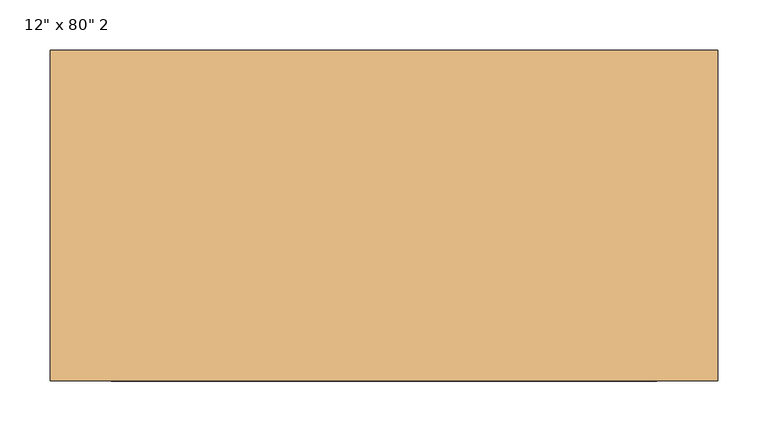
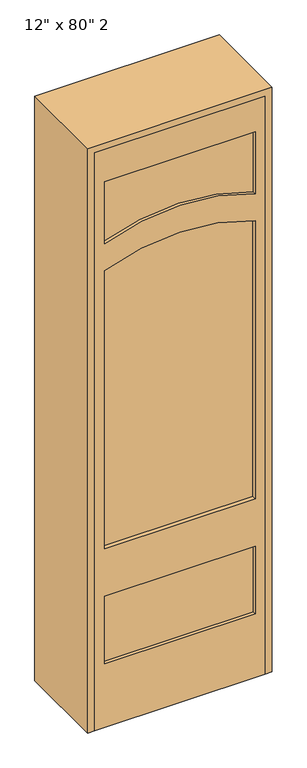
"""IFC4 building model written with IfcOpenShell, lengths in millimetres: door geometry."""

import ifcopenshell
import ifcopenshell.guid

model = None  # the IFC model being written
_history = None  # IfcOwnerHistory: only IFC2X3 demands one
_inside = {}  # id of a spatial element -> (the spatial element, [elements in it])
_under = {}  # id of a project, library or spatial element -> (it, [spatial elements below it])
_declared = {}  # id of a project -> (the project, [libraries it declares])
_typed = {}  # id of a type object -> (the type object, [elements of that type])
_made_of = {}  # id of a material, layer set ... -> (it, [elements and type objects made of it])


def new_model(schema):
    """Start an empty IFC model of exactly this schema.

    Asked for "IFC4X3", IfcOpenShell would pick the latest addendum, in which some entities
    have other attributes; the version numbers below select the first issue.
    IFC2X3 requires an IfcOwnerHistory on every rooted entity: one is made here for all.
    """
    global model, _history
    if schema == "IFC4X3":
        model = ifcopenshell.file(schema_version=(4, 3, 0, 0))
    else:
        model = ifcopenshell.file(schema=schema)
    _inside.clear()
    _under.clear()
    _declared.clear()
    _typed.clear()
    _made_of.clear()
    _history = None
    if model.schema == "IFC2X3":
        org = make("IfcOrganization", Name="unknown")
        user = make(
            "IfcPersonAndOrganization",
            ThePerson=make("IfcPerson", FamilyName="unknown"),
            TheOrganization=org,
        )
        app = make(
            "IfcApplication",
            ApplicationDeveloper=org,
            Version="unknown",
            ApplicationFullName="unknown",
            ApplicationIdentifier="unknown",
        )
        _history = make(
            "IfcOwnerHistory",
            OwningUser=user,
            OwningApplication=app,
            ChangeAction="ADDED",
            CreationDate=0,
        )
    return model


def make(cls, **values):
    """One entity of the class cls with the attributes given. An attribute that is None is left unset."""
    return model.create_entity(
        cls, **{name: value for name, value in values.items() if value is not None}
    )


def rooted(cls, **values):
    """An entity with a GlobalId (a new one), such as an element, a storey or a relation."""
    return make(cls, GlobalId=ifcopenshell.guid.new(), OwnerHistory=_history, **values)


def si_unit(unit_type, name, prefix=None):
    """IfcSIUnit, for example si_unit("LENGTHUNIT", "METRE", prefix="MILLI")."""
    return make("IfcSIUnit", UnitType=unit_type, Prefix=prefix, Name=name)


def assignment(units):
    """IfcUnitAssignment: the units of a project."""
    return None if units is None else make("IfcUnitAssignment", Units=units)


def point(xyz):
    """IfcCartesianPoint."""
    return None if xyz is None else make("IfcCartesianPoint", Coordinates=xyz)


def direction(xyz):
    """IfcDirection."""
    return None if xyz is None else make("IfcDirection", DirectionRatios=xyz)


def frame(location, z_axis=None, x_axis=None):
    """IfcAxis2Placement3D, a coordinate frame: its origin and axes. An axis left out is left unset."""
    return make(
        "IfcAxis2Placement3D",
        Location=point(location),
        Axis=direction(z_axis),
        RefDirection=direction(x_axis),
    )


def frame_2d(location, x_axis=None):
    """IfcAxis2Placement2D, a coordinate frame in the plane: its origin and x axis."""
    return make(
        "IfcAxis2Placement2D", Location=point(location), RefDirection=direction(x_axis)
    )


def origin():
    """The frame at (0, 0, 0) with its axes left unset."""
    return frame((0.0, 0.0, 0.0))


def place(relative_to, where):
    """IfcLocalPlacement: puts the frame where relative to a parent placement (None: the world)."""
    return make(
        "IfcLocalPlacement", PlacementRelTo=relative_to, RelativePlacement=where
    )


def context(
    kind, dimensions, precision=None, world=None, true_north=None, identifier=None
):
    """IfcGeometricRepresentationContext, for example the 3D "Model" context."""
    return make(
        "IfcGeometricRepresentationContext",
        ContextIdentifier=identifier,
        ContextType=kind,
        CoordinateSpaceDimension=dimensions,
        Precision=precision,
        WorldCoordinateSystem=world,
        TrueNorth=true_north,
    )


def project(units=None, contexts=None):
    """IfcProject with its units and contexts."""
    return rooted(
        "IfcProject",
        Name="project",
        RepresentationContexts=contexts,
        UnitsInContext=assignment(units),
    )


def spatial(cls, under=None, at=None, **own):
    """A site, building, storey or space (cls), placed at a placement, below another one or the project."""
    s = rooted(cls, ObjectPlacement=at, **own)
    if under is not None:
        _under.setdefault(under.id(), (under, []))[1].append(s)
    return s


def polyline(points):
    """IfcPolyline through the points."""
    return make("IfcPolyline", Points=[point(p) for p in points])


def circle_curve(where, radius):
    """IfcCircle in the frame where."""
    return make("IfcCircle", Position=where, Radius=radius)


def trimmed(basis, trim1, trim2, sense, master):
    """IfcTrimmedCurve: the piece of a basis curve between two trims."""
    return make(
        "IfcTrimmedCurve",
        BasisCurve=basis,
        Trim1=trim1,
        Trim2=trim2,
        SenseAgreement=sense,
        MasterRepresentation=master,
    )


def segment(curve, same_sense, transition):
    """IfcCompositeCurveSegment."""
    return make(
        "IfcCompositeCurveSegment",
        Transition=transition,
        SameSense=same_sense,
        ParentCurve=curve,
    )


def composite_curve(segments, self_intersect=None):
    """IfcCompositeCurve: segments joined end to end."""
    return make("IfcCompositeCurve", Segments=segments, SelfIntersect=self_intersect)


def outline(outer, holes=None, kind="AREA"):
    """IfcArbitraryClosedProfileDef: a profile drawn as a closed curve; with holes, ...WithVoids."""
    if holes is None:
        return make("IfcArbitraryClosedProfileDef", ProfileType=kind, OuterCurve=outer)
    return make(
        "IfcArbitraryProfileDefWithVoids",
        ProfileType=kind,
        OuterCurve=outer,
        InnerCurves=holes,
    )


def extrude(swept, where, along, depth):
    """IfcExtrudedAreaSolid: the profile swept, set in the frame where, extruded along a direction by depth."""
    return make(
        "IfcExtrudedAreaSolid",
        SweptArea=swept,
        Position=where,
        ExtrudedDirection=direction(along),
        Depth=depth,
    )


def shape(context_of_items, identifier, shape_type, items):
    """IfcShapeRepresentation: the items that make up one representation, for example the "Body"."""
    return make(
        "IfcShapeRepresentation",
        ContextOfItems=context_of_items,
        RepresentationIdentifier=identifier,
        RepresentationType=shape_type,
        Items=items,
    )


def source(mapping_origin, context_of_items, identifier, shape_type, items):
    """IfcRepresentationMap: a shape defined once, which mapped items show again and again."""
    return make(
        "IfcRepresentationMap",
        MappingOrigin=mapping_origin,
        MappedRepresentation=shape(context_of_items, identifier, shape_type, items),
    )


def transform(
    local_origin,
    x_axis=None,
    y_axis=None,
    z_axis=None,
    scale=None,
    scale2=None,
    scale3=None,
    uniform=True,
):
    """IfcCartesianTransformationOperator3D, or its non-uniform kind. x_axis, y_axis, z_axis: its Axis1, 2, 3."""
    if uniform:
        return make(
            "IfcCartesianTransformationOperator3D",
            Axis1=direction(x_axis),
            Axis2=direction(y_axis),
            LocalOrigin=point(local_origin),
            Scale=scale,
            Axis3=direction(z_axis),
        )
    return make(
        "IfcCartesianTransformationOperator3DnonUniform",
        Axis1=direction(x_axis),
        Axis2=direction(y_axis),
        LocalOrigin=point(local_origin),
        Scale=scale,
        Axis3=direction(z_axis),
        Scale2=scale2,
        Scale3=scale3,
    )


def mapped(mapping_source, mapping_target):
    """IfcMappedItem: shows the shape of a source again, moved by a transform."""
    return make(
        "IfcMappedItem", MappingSource=mapping_source, MappingTarget=mapping_target
    )


def made_of(thing, what):
    """Note that an element or type object is made of a material, layer set ...; save() writes the relation."""
    if what is not None:
        _made_of.setdefault(what.id(), (what, []))[1].append(thing)
    return thing


def element(
    cls,
    number,
    at=None,
    inside=None,
    cuts=None,
    type_object=None,
    material=None,
    context=None,
    identifier="Body",
    shape_type=None,
    held_by="IfcProductDefinitionShape",
    body=None,
    shapes=None,
    **own,
):
    """One element of the class cls, such as IfcWall. Its Tag is "e" and its number.

    at: its placement. inside: the storey or other place that contains it. cuts: it is an
    opening in that element (IfcRelVoidsElement). A single representation is given by context,
    identifier, shape_type and body (its items); several are given by shapes. held_by: the class
    of the entity that holds the representations. save() writes the other relations.
    """
    e = rooted(cls, Tag="e%d" % number, ObjectPlacement=at, **own)
    if body is not None:
        shapes = [shape(context, identifier, shape_type, body)]
    if shapes is not None:
        e.Representation = make(held_by, Representations=shapes)
    if inside is not None:
        _inside.setdefault(inside.id(), (inside, []))[1].append(e)
    if cuts is not None:
        rooted(
            "IfcRelVoidsElement", RelatingBuildingElement=cuts, RelatedOpeningElement=e
        )
    if type_object is not None:
        _typed.setdefault(type_object.id(), (type_object, []))[1].append(e)
    return made_of(e, material)


def aggregate(whole, parts):
    """IfcRelAggregates: a whole, such as a stair, and the parts it consists of."""
    return rooted("IfcRelAggregates", RelatingObject=whole, RelatedObjects=parts)


def save(model, path):
    """Write the relations noted so far, then the file.

    IfcRelAggregates (storeys below a building ...), IfcRelContainedInSpatialStructure (elements
    in a storey), IfcRelDefinesByType, IfcRelAssociatesMaterial and IfcRelDeclares: one each for
    every whole, place, type object, material and project.
    """
    for whole, parts in _under.values():
        aggregate(whole, parts)
    for where, things in _inside.values():
        rooted(
            "IfcRelContainedInSpatialStructure",
            RelatedElements=things,
            RelatingStructure=where,
        )
    for kind, things in _typed.values():
        rooted("IfcRelDefinesByType", RelatedObjects=things, RelatingType=kind)
    for what, things in _made_of.values():
        rooted("IfcRelAssociatesMaterial", RelatedObjects=things, RelatingMaterial=what)
    for by, libraries in _declared.values():
        rooted("IfcRelDeclares", RelatingContext=by, RelatedDefinitions=libraries)
    model.write(path)


def door_9ee08f59(model_context):
    return source(origin(), model_context, "Body", "SweptSolid", [
        extrude(outline(polyline([(269.875, -137.0541667), (269.875, -148.6958333), (-269.875, -148.6958333), (-269.875, -137.0541667), (269.875, -137.0541667)])), frame((0.0, 0.0, 241.3), z_axis=(0.0, 0.0, 1.0), x_axis=(1.0, 0.0, 0.0)), (0.0, 0.0, 1.0), 254.0),
        extrude(outline(composite_curve([segment(polyline([(1828.8, 269.875), (2063.75, 269.875), (2063.75, -269.875), (1828.8, -269.875)]), True, "CONTINUOUS"), segment(trimmed(circle_curve(frame_2d((1137.3445313, 0.0)), 742.2554688), [point((1828.8, -269.875))], [point((1828.8, 269.875))], True, "CARTESIAN"), True, "CONTINUOUS")], self_intersect=False)), frame((0.0, -148.6958333, 0.0), z_axis=(0.0, 1.0, 0.0), x_axis=(0.0, 0.0, 1.0)), (0.0, 0.0, 1.0), 11.6416667),
        extrude(outline(polyline([(2184.4, -304.8), (0.0, -304.8), (0.0, 304.8), (2184.4, 304.8), (2184.4, -304.8)]), holes=[composite_curve([segment(polyline([(676.275, -269.875), (1727.2, -269.875)]), True, "CONTINUOUS"), segment(trimmed(circle_curve(frame_2d((1035.7445313, 0.0)), 742.2554688), [point((1727.2, -269.875))], [point((1727.2, 269.875))], True, "CARTESIAN"), True, "CONTINUOUS"), segment(polyline([(1727.2, 269.875), (676.275, 269.875), (676.275, -269.875)]), True, "CONTINUOUS")], self_intersect=False), polyline([(495.3, -269.875), (495.3, 269.875), (241.3, 269.875), (241.3, -269.875), (495.3, -269.875)]), composite_curve([segment(polyline([(2063.75, -269.875), (2063.75, 269.875), (1828.8, 269.875)]), True, "CONTINUOUS"), segment(trimmed(circle_curve(frame_2d((1137.3445313, 0.0)), 742.2554687), [point((1828.8, 269.875))], [point((1828.8, -269.875))], False, "CARTESIAN"), True, "CONTINUOUS"), segment(polyline([(1828.8, -269.875), (2063.75, -269.875)]), True, "CONTINUOUS")], self_intersect=False)]), frame((0.0, -160.3375, 0.0), z_axis=(0.0, 1.0, 0.0), x_axis=(0.0, 0.0, 1.0)), (0.0, 0.0, 1.0), 34.925),
        extrude(outline(polyline([(0.0, 330.2), (2209.8, 330.2), (2209.8, -330.2), (0.0, -330.2), (0.0, -304.8), (2184.4, -304.8), (2184.4, 304.8), (0.0, 304.8), (0.0, 330.2)])), frame((0.0, -160.3375, 0.0), z_axis=(0.0, 1.0, 0.0), x_axis=(0.0, 0.0, 1.0)), (0.0, 0.0, 1.0), 327.025),
        extrude(outline(composite_curve([segment(polyline([(676.275, -269.875), (676.275, 269.875), (1727.2, 269.875)]), True, "CONTINUOUS"), segment(trimmed(circle_curve(frame_2d((1035.7445313, 0.0)), 742.2554688), [point((1727.2, 269.875))], [point((1727.2, -269.875))], False, "CARTESIAN"), True, "CONTINUOUS"), segment(polyline([(1727.2, -269.875), (676.275, -269.875)]), True, "CONTINUOUS")], self_intersect=False)), frame((0.0, -146.3675, 0.0), z_axis=(0.0, 1.0, 0.0), x_axis=(0.0, 0.0, 1.0)), (0.0, 0.0, 1.0), 6.985),
    ])


if __name__ == "__main__":
    model = new_model("IFC4")
    model_context = context("Model", 3, world=origin())
    ifc_project = project(units=[si_unit("LENGTHUNIT", "METRE", prefix="MILLI")], contexts=[model_context])
    site = spatial("IfcSite", under=ifc_project)
    building = spatial("IfcBuilding", under=site)
    placement = place(None, origin())
    door_shape = door_9ee08f59(model_context)
    element("IfcDoor", 1, ObjectType="12\" x 80\" 2", at=placement, inside=building, context=model_context, shape_type="MappedRepresentation", body=[
        mapped(door_shape, transform((0.0, 0.0, 0.0), x_axis=(1.0, 0.0, 0.0), y_axis=(0.0, 1.0, 0.0), z_axis=(0.0, 0.0, 1.0))),
    ])
    save(model, "model.ifc")
